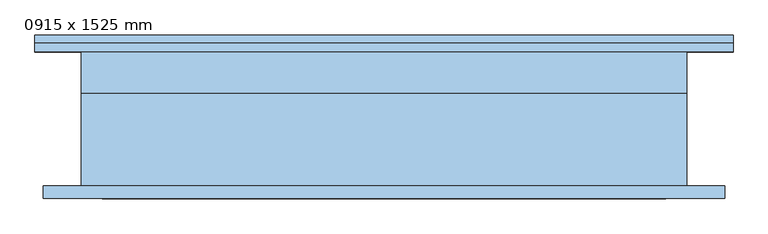
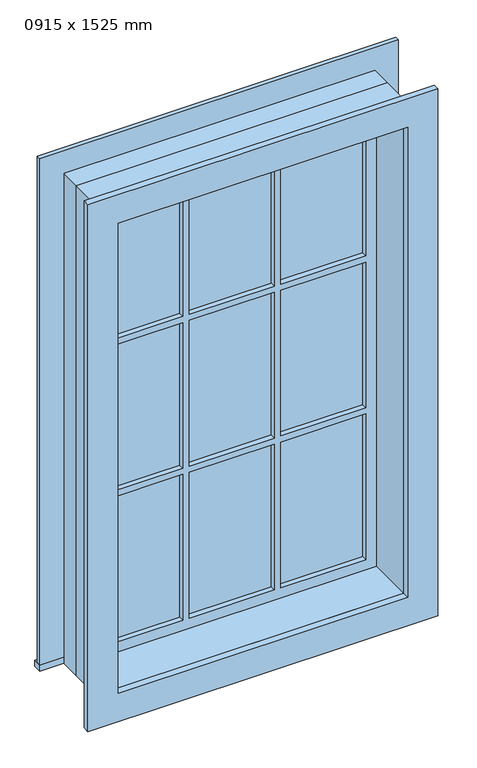
"""IFC4 building model written with IfcOpenShell, lengths in millimetres: window geometry, 0915 x 1525 mm."""

from ifc_helpers import new_model, si_unit, frame, origin, place, context, project, spatial, polyline, outline, extrude, source, transform, mapped, element, save


def window_0915_x_1525_mm_b2e053ae(model_context):
    return source(origin(), model_context, "Body", "SweptSolid", [
        extrude(outline(polyline([(-527.45, 127.3), (527.45, 127.3), (527.45, 101.6), (-527.45, 101.6), (-527.45, 127.3)])), frame((0.0, 0.0, 610.0), z_axis=(0.0, 0.0, 1.0), x_axis=(1.0, 0.0, 0.0)), (0.0, 0.0, 1.0), 19.05),
        extrude(outline(polyline([(2115.95, -438.45), (2115.95, 438.45), (629.05, 438.45), (629.05, 527.45), (2204.95, 527.45), (2204.95, -527.45), (629.05, -527.45), (629.05, -438.45), (2115.95, -438.45)])), frame((0.0, 101.6, 0.0), z_axis=(0.0, 1.0, 0.0), x_axis=(0.0, 0.0, 1.0)), (0.0, 0.0, 1.0), 13.0),
        extrude(outline(polyline([(144.0333333, 66.725), (394.0, 66.725), (394.0, 54.025), (144.0333333, 54.025), (144.0333333, 66.725)])), frame((0.0, 0.0, 1618.2), z_axis=(0.0, 0.0, 1.0), x_axis=(1.0, 0.0, 0.0)), (0.0, 0.0, 1.0), 453.3),
        extrude(outline(polyline([(-124.9833333, 66.725), (124.9833333, 66.725), (124.9833333, 54.025), (-124.9833333, 54.025), (-124.9833333, 66.725)])), frame((0.0, 0.0, 1618.2), z_axis=(0.0, 0.0, 1.0), x_axis=(1.0, 0.0, 0.0)), (0.0, 0.0, 1.0), 453.3),
        extrude(outline(polyline([(-394.0, 66.725), (-144.0333333, 66.725), (-144.0333333, 54.025), (-394.0, 54.025), (-394.0, 66.725)])), frame((0.0, 0.0, 1618.2), z_axis=(0.0, 0.0, 1.0), x_axis=(1.0, 0.0, 0.0)), (0.0, 0.0, 1.0), 453.3),
        extrude(outline(polyline([(-394.0, 66.725), (-144.0333333, 66.725), (-144.0333333, 54.025), (-394.0, 54.025), (-394.0, 66.725)])), frame((0.0, 0.0, 1145.85), z_axis=(0.0, 0.0, 1.0), x_axis=(1.0, 0.0, 0.0)), (0.0, 0.0, 1.0), 453.3),
        extrude(outline(polyline([(-124.9833333, 66.725), (124.9833333, 66.725), (124.9833333, 54.025), (-124.9833333, 54.025), (-124.9833333, 66.725)])), frame((0.0, 0.0, 1145.85), z_axis=(0.0, 0.0, 1.0), x_axis=(1.0, 0.0, 0.0)), (0.0, 0.0, 1.0), 453.3),
        extrude(outline(polyline([(144.0333333, 66.725), (394.0, 66.725), (394.0, 54.025), (144.0333333, 54.025), (144.0333333, 66.725)])), frame((0.0, 0.0, 1145.85), z_axis=(0.0, 0.0, 1.0), x_axis=(1.0, 0.0, 0.0)), (0.0, 0.0, 1.0), 453.3),
        extrude(outline(polyline([(144.0333333, 66.725), (394.0, 66.725), (394.0, 54.025), (144.0333333, 54.025), (144.0333333, 66.725)])), frame((0.0, 0.0, 673.5), z_axis=(0.0, 0.0, 1.0), x_axis=(1.0, 0.0, 0.0)), (0.0, 0.0, 1.0), 453.3),
        extrude(outline(polyline([(-124.9833333, 66.725), (124.9833333, 66.725), (124.9833333, 54.025), (-124.9833333, 54.025), (-124.9833333, 66.725)])), frame((0.0, 0.0, 673.5), z_axis=(0.0, 0.0, 1.0), x_axis=(1.0, 0.0, 0.0)), (0.0, 0.0, 1.0), 453.3),
        extrude(outline(polyline([(-394.0, 66.725), (-144.0333333, 66.725), (-144.0333333, 54.025), (-394.0, 54.025), (-394.0, 66.725)])), frame((0.0, 0.0, 673.5), z_axis=(0.0, 0.0, 1.0), x_axis=(1.0, 0.0, 0.0)), (0.0, 0.0, 1.0), 453.3),
        extrude(outline(polyline([(2192.25, 514.75), (2192.25, -514.75), (552.75, -514.75), (552.75, 514.75), (2192.25, 514.75)]), holes=[polyline([(2103.25, 425.75), (641.75, 425.75), (641.75, -425.75), (2103.25, -425.75), (2103.25, 425.75)])]), frame((0.0, -120.6, 0.0), z_axis=(0.0, 1.0, 0.0), x_axis=(0.0, 0.0, 1.0)), (0.0, 0.0, 1.0), 19.0),
        extrude(outline(polyline([(2115.95, -438.45), (629.05, -438.45), (629.05, 438.45), (2115.95, 438.45), (2115.95, -438.45)]), holes=[polyline([(2071.5, -144.0333333), (1618.2, -144.0333333), (1618.2, -394.0), (2071.5, -394.0), (2071.5, -144.0333333)]), polyline([(1599.15, -144.0333333), (1145.85, -144.0333333), (1145.85, -394.0), (1599.15, -394.0), (1599.15, -144.0333333)]), polyline([(1126.8, -144.0333333), (673.5, -144.0333333), (673.5, -394.0), (1126.8, -394.0), (1126.8, -144.0333333)]), polyline([(2071.5, 124.9833333), (1618.2, 124.9833333), (1618.2, -124.9833333), (2071.5, -124.9833333), (2071.5, 124.9833333)]), polyline([(1599.15, 124.9833333), (1145.85, 124.9833333), (1145.85, -124.9833333), (1599.15, -124.9833333), (1599.15, 124.9833333)]), polyline([(1126.8, 124.9833333), (673.5, 124.9833333), (673.5, -124.9833333), (1126.8, -124.9833333), (1126.8, 124.9833333)]), polyline([(2071.5, 394.0), (1618.2, 394.0), (1618.2, 144.0333333), (2071.5, 144.0333333), (2071.5, 394.0)]), polyline([(1599.15, 394.0), (1145.85, 394.0), (1145.85, 144.0333333), (1599.15, 144.0333333), (1599.15, 394.0)]), polyline([(1126.8, 394.0), (673.5, 394.0), (673.5, 144.0333333), (1126.8, 144.0333333), (1126.8, 394.0)])]), frame((0.0, 38.15, 0.0), z_axis=(0.0, 1.0, 0.0), x_axis=(0.0, 0.0, 1.0)), (0.0, 0.0, 1.0), 44.45),
        extrude(outline(polyline([(2135.0, -457.5), (610.0, -457.5), (610.0, 457.5), (2135.0, 457.5), (2135.0, -457.5)]), holes=[polyline([(2103.25, -425.75), (2103.25, 425.75), (641.75, 425.75), (641.75, -425.75), (2103.25, -425.75)])]), frame((0.0, -101.6, 0.0), z_axis=(0.0, 1.0, 0.0), x_axis=(0.0, 0.0, 1.0)), (0.0, 0.0, 1.0), 139.75),
        extrude(outline(polyline([(2135.0, 457.5), (2135.0, -457.5), (610.0, -457.5), (610.0, 457.5), (2135.0, 457.5)]), holes=[polyline([(2115.95, 438.45), (629.05, 438.45), (629.05, -438.45), (2115.95, -438.45), (2115.95, 438.45)])]), frame((0.0, 38.15, 0.0), z_axis=(0.0, 1.0, 0.0), x_axis=(0.0, 0.0, 1.0)), (0.0, 0.0, 1.0), 63.45),
    ])


if __name__ == "__main__":
    model = new_model("IFC4")
    model_context = context("Model", 3, world=origin())
    ifc_project = project(units=[si_unit("LENGTHUNIT", "METRE", prefix="MILLI")], contexts=[model_context])
    site = spatial("IfcSite", under=ifc_project)
    building = spatial("IfcBuilding", under=site)
    placement = place(None, origin())
    window_0915_x_1525_mm_shape = window_0915_x_1525_mm_b2e053ae(model_context)
    element("IfcWindow", 1, ObjectType="0915 x 1525 mm", at=placement, inside=building, context=model_context, shape_type="MappedRepresentation", body=[
        mapped(window_0915_x_1525_mm_shape, transform((0.0, 0.0, 0.0), x_axis=(1.0, 0.0, 0.0), y_axis=(0.0, 1.0, 0.0), z_axis=(0.0, 0.0, 1.0))),
    ])
    save(model, "model.ifc")
